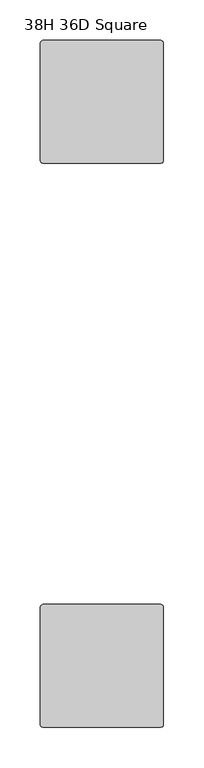
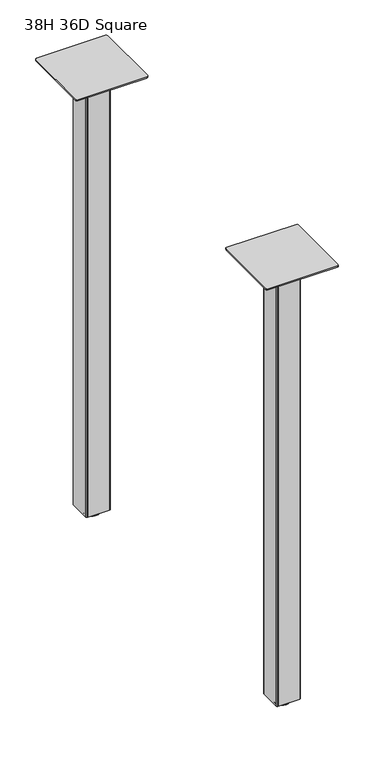
"""IFC4 building model written with IfcOpenShell, lengths in millimetres: furniture geometry, 38H 36D Square."""

from ifc_helpers import new_model, si_unit, frame, origin, place, context, project, spatial, polyline, circle_curve, outline, extrude, source, transform, mapped, element, save
from ifc_brep_helpers import plane_surface, cylinder_surface, revolved_surface, advanced_brep


def furniture_38h_36d_square_a64c27d5(model_context):
    return source(origin(), model_context, "Body", "SolidModel", [
        extrude(outline(polyline([(82.5508751, -130.809957), (82.5508751, -85.0899643), (83.2948249, -83.2939256), (85.0907849, -82.550003), (130.8109622, -82.550003), (132.6069222, -83.2939256), (133.350872, -85.0899643), (133.350872, -130.809957), (132.6069222, -132.606032), (130.8107429, -133.3500091), (85.0910042, -133.3500091), (83.2948249, -132.606032), (82.5508751, -130.809957)])), frame((0.0, 0.0, 10.1608624), z_axis=(0.0, 0.0, 1.0), x_axis=(1.0, 0.0, 0.0)), (0.0, 0.0, 1.0), 981.202),
        extrude(outline(polyline([(82.5508751, -829.3099865), (82.5508751, -783.5899938), (83.2948249, -781.7939552), (85.0907849, -781.0500326), (130.8109622, -781.0500326), (132.6069222, -781.7939552), (133.350872, -783.5899938), (133.350872, -829.3099865), (132.6069222, -831.1060615), (130.8107429, -831.8500386), (85.0910042, -831.8500386), (83.2948249, -831.1060615), (82.5508751, -829.3099865)])), frame((0.0, 0.0, 10.1608624), z_axis=(0.0, 0.0, 1.0), x_axis=(1.0, 0.0, 0.0)), (0.0, 0.0, 1.0), 981.202),
        extrude(outline(polyline([(31.7508849, -733.2980259), (32.6436243, -731.1427636), (34.7988843, -730.2500265), (181.102881, -730.2500265), (183.2581455, -731.1427636), (184.1508781, -733.2980259), (184.1508781, -879.6020271), (183.2581455, -881.7572917), (181.1029194, -882.6500083), (34.7988459, -882.6500083), (32.6436243, -881.7572917), (31.7508849, -879.6020271), (31.7508849, -733.2980259)])), frame((0.0, 0.0, 991.3628623), z_axis=(0.0, 0.0, 1.0), x_axis=(1.0, 0.0, 0.0)), (0.0, 0.0, 1.0), 3.048),
        advanced_brep(
        [(107.9508872, -806.4500356, 11.1759893), (119.1268856, -806.4500356, 11.1759893), (96.7748888, -806.4500356, 11.1759893), (95.2064298, -806.4500356, 0.0), (120.6953446, -806.4500356, 0.0), (107.9508872, -806.4500356, 0.0), (92.111765, -806.4500356, 0.4083326), (123.7900094, -806.4500356, 0.4083326), (90.7852289, -806.4500356, 2.0055462), (125.1165454, -806.4500356, 2.0055462), (90.7852289, -806.4500356, 4.3444296), (125.1165454, -806.4500356, 4.3444296), (92.111765, -806.4500356, 5.9416431), (123.7900094, -806.4500356, 5.9416431), (93.6849338, -806.4500356, 6.3499758), (122.2168405, -806.4500356, 6.3499758), (96.7748888, -806.4500356, 6.3499758), (119.1268856, -806.4500356, 6.3499758)],
        [
            (0, 1),
            (1, 2, circle_curve(frame((107.9508872, -806.4500356, 11.1759893), z_axis=(0.0, 0.0, 1.0), x_axis=(1.0, 0.0, 0.0)), 11.1759984)),
            (2, 0),
            (2, 1, circle_curve(frame((107.9508872, -806.4500356, 11.1759893), z_axis=(0.0, 0.0, 1.0), x_axis=(1.0, 0.0, 0.0)), 11.1759984)),
            (3, 4, circle_curve(frame((107.9508872, -806.4500356, 0.0), z_axis=(0.0, 0.0, -1.0), x_axis=(1.0, 0.0, 0.0)), 12.7444574)),
            (4, 5),
            (5, 3),
            (4, 3, circle_curve(frame((107.9508872, -806.4500356, 0.0), z_axis=(0.0, 0.0, -1.0), x_axis=(1.0, 0.0, 0.0)), 12.7444574)),
            (6, 7, circle_curve(frame((107.9508872, -806.4500356, 0.4083326), z_axis=(0.0, 0.0, -1.0), x_axis=(1.0, 0.0, 0.0)), 15.8391222)),
            (7, 4),
            (3, 6),
            (7, 6, circle_curve(frame((107.9508872, -806.4500356, 0.4083326), z_axis=(0.0, 0.0, -1.0), x_axis=(1.0, 0.0, 0.0)), 15.8391222)),
            (8, 9, circle_curve(frame((107.9508872, -806.4500356, 2.0055462), z_axis=(0.0, 0.0, -1.0), x_axis=(1.0, 0.0, 0.0)), 17.1656583)),
            (9, 7),
            (6, 8),
            (9, 8, circle_curve(frame((107.9508872, -806.4500356, 2.0055462), z_axis=(0.0, 0.0, -1.0), x_axis=(1.0, 0.0, 0.0)), 17.1656583)),
            (10, 11, circle_curve(frame((107.9508872, -806.4500356, 4.3444296), z_axis=(0.0, 0.0, -1.0), x_axis=(1.0, 0.0, 0.0)), 17.1656583)),
            (11, 9),
            (8, 10),
            (11, 10, circle_curve(frame((107.9508872, -806.4500356, 4.3444296), z_axis=(0.0, 0.0, -1.0), x_axis=(1.0, 0.0, 0.0)), 17.1656583)),
            (12, 13, circle_curve(frame((107.9508872, -806.4500356, 5.9416431), z_axis=(0.0, 0.0, -1.0), x_axis=(1.0, 0.0, 0.0)), 15.8391222)),
            (13, 11),
            (10, 12),
            (13, 12, circle_curve(frame((107.9508872, -806.4500356, 5.9416431), z_axis=(0.0, 0.0, -1.0), x_axis=(1.0, 0.0, 0.0)), 15.8391222)),
            (14, 15, circle_curve(frame((107.9508872, -806.4500356, 6.3499758), z_axis=(0.0, 0.0, -1.0), x_axis=(1.0, 0.0, 0.0)), 14.2659534)),
            (15, 13),
            (12, 14),
            (15, 14, circle_curve(frame((107.9508872, -806.4500356, 6.3499758), z_axis=(0.0, 0.0, -1.0), x_axis=(1.0, 0.0, 0.0)), 14.2659534)),
            (16, 17, circle_curve(frame((107.9508872, -806.4500356, 6.3499758), z_axis=(0.0, 0.0, -1.0), x_axis=(1.0, 0.0, 0.0)), 11.1759984)),
            (17, 15),
            (14, 16),
            (17, 16, circle_curve(frame((107.9508872, -806.4500356, 6.3499758), z_axis=(0.0, 0.0, -1.0), x_axis=(1.0, 0.0, 0.0)), 11.1759984)),
            (1, 17),
            (16, 2),
        ],
        [
            plane_surface(frame((107.9508872, -806.4500356, 11.1759893), z_axis=(0.0, 0.0, 1.0), x_axis=(1.0, 0.0, 0.0))),
            plane_surface(frame((107.9508872, -806.4500356, 0.0), z_axis=(0.0, 0.0, -1.0), x_axis=(1.0, 0.0, 0.0))),
            revolved_surface(polyline([(120.6953446, -806.4500356, 0.0), (123.7900094, -806.4500356, 0.4083326)]), (107.9508872, -806.4500356, 11.1759893), (0.0, 0.0, 1.0)),
            revolved_surface(polyline([(123.7900094, -806.4500356, 0.4083326), (125.1165454, -806.4500356, 2.0055462)]), (107.9508872, -806.4500356, 11.1759893), (0.0, 0.0, 1.0)),
            cylinder_surface(frame((107.9508872, -806.4500356, 11.1759893), z_axis=(0.0, 0.0, 1.0), x_axis=(1.0, 0.0, 0.0)), 17.1656583),
            revolved_surface(polyline([(125.1165454, -806.4500356, 4.3444296), (123.7900094, -806.4500356, 5.9416431)]), (107.9508872, -806.4500356, 11.1759893), (0.0, 0.0, 1.0)),
            revolved_surface(polyline([(123.7900094, -806.4500356, 5.9416431), (122.2168405, -806.4500356, 6.3499758)]), (107.9508872, -806.4500356, 11.1759893), (0.0, 0.0, 1.0)),
            plane_surface(frame((107.9508872, -806.4500356, 6.3499758), z_axis=(0.0, 0.0, 1.0), x_axis=(1.0, 0.0, 0.0))),
            cylinder_surface(frame((107.9508872, -806.4500356, 11.1759893), z_axis=(0.0, 0.0, 1.0), x_axis=(1.0, 0.0, 0.0)), 11.1759984),
        ],
        [
            (0, [[1, 2, 3]]),
            (0, [[-3, 4, -1]]),
            (1, [[5, 6, 7]]),
            (1, [[8, -7, -6]]),
            (2, [[9, 10, -5, 11]]),
            (2, [[12, -11, -8, -10]]),
            (3, [[13, 14, -9, 15]]),
            (3, [[16, -15, -12, -14]]),
            (4, [[17, 18, -13, 19]]),
            (4, [[20, -19, -16, -18]]),
            (5, [[21, 22, -17, 23]]),
            (5, [[24, -23, -20, -22]]),
            (6, [[25, 26, -21, 27]]),
            (6, [[28, -27, -24, -26]]),
            (7, [[29, 30, -25, 31]]),
            (7, [[32, -31, -28, -30]]),
            (8, [[-2, 33, -29, 34]]),
            (8, [[-4, -34, -32, -33]]),
        ],
    ),
        advanced_brep(
        [(107.9508872, -107.9500061, 11.1759893), (119.1268856, -107.9500061, 11.1759893), (96.7748888, -107.9500061, 11.1759893), (95.2064298, -107.9500061, 0.0), (120.6953446, -107.9500061, 0.0), (107.9508872, -107.9500061, 0.0), (92.111765, -107.9500061, 0.4083326), (123.7900094, -107.9500061, 0.4083326), (90.7852289, -107.9500061, 2.0055462), (125.1165454, -107.9500061, 2.0055462), (90.7852289, -107.9500061, 4.3444296), (125.1165454, -107.9500061, 4.3444296), (92.111765, -107.9500061, 5.9416431), (123.7900094, -107.9500061, 5.9416431), (93.6849338, -107.9500061, 6.3499758), (122.2168405, -107.9500061, 6.3499758), (96.7748888, -107.9500061, 6.3499758), (119.1268856, -107.9500061, 6.3499758)],
        [
            (0, 1),
            (1, 2, circle_curve(frame((107.9508872, -107.9500061, 11.1759893), z_axis=(0.0, 0.0, 1.0), x_axis=(1.0, 0.0, 0.0)), 11.1759984)),
            (2, 0),
            (2, 1, circle_curve(frame((107.9508872, -107.9500061, 11.1759893), z_axis=(0.0, 0.0, 1.0), x_axis=(1.0, 0.0, 0.0)), 11.1759984)),
            (3, 4, circle_curve(frame((107.9508872, -107.9500061, 0.0), z_axis=(0.0, 0.0, -1.0), x_axis=(1.0, 0.0, 0.0)), 12.7444574)),
            (4, 5),
            (5, 3),
            (4, 3, circle_curve(frame((107.9508872, -107.9500061, 0.0), z_axis=(0.0, 0.0, -1.0), x_axis=(1.0, 0.0, 0.0)), 12.7444574)),
            (6, 7, circle_curve(frame((107.9508872, -107.9500061, 0.4083326), z_axis=(0.0, 0.0, -1.0), x_axis=(1.0, 0.0, 0.0)), 15.8391222)),
            (7, 4),
            (3, 6),
            (7, 6, circle_curve(frame((107.9508872, -107.9500061, 0.4083326), z_axis=(0.0, 0.0, -1.0), x_axis=(1.0, 0.0, 0.0)), 15.8391222)),
            (8, 9, circle_curve(frame((107.9508872, -107.9500061, 2.0055462), z_axis=(0.0, 0.0, -1.0), x_axis=(1.0, 0.0, 0.0)), 17.1656583)),
            (9, 7),
            (6, 8),
            (9, 8, circle_curve(frame((107.9508872, -107.9500061, 2.0055462), z_axis=(0.0, 0.0, -1.0), x_axis=(1.0, 0.0, 0.0)), 17.1656583)),
            (10, 11, circle_curve(frame((107.9508872, -107.9500061, 4.3444296), z_axis=(0.0, 0.0, -1.0), x_axis=(1.0, 0.0, 0.0)), 17.1656583)),
            (11, 9),
            (8, 10),
            (11, 10, circle_curve(frame((107.9508872, -107.9500061, 4.3444296), z_axis=(0.0, 0.0, -1.0), x_axis=(1.0, 0.0, 0.0)), 17.1656583)),
            (12, 13, circle_curve(frame((107.9508872, -107.9500061, 5.9416431), z_axis=(0.0, 0.0, -1.0), x_axis=(1.0, 0.0, 0.0)), 15.8391222)),
            (13, 11),
            (10, 12),
            (13, 12, circle_curve(frame((107.9508872, -107.9500061, 5.9416431), z_axis=(0.0, 0.0, -1.0), x_axis=(1.0, 0.0, 0.0)), 15.8391222)),
            (14, 15, circle_curve(frame((107.9508872, -107.9500061, 6.3499758), z_axis=(0.0, 0.0, -1.0), x_axis=(1.0, 0.0, 0.0)), 14.2659534)),
            (15, 13),
            (12, 14),
            (15, 14, circle_curve(frame((107.9508872, -107.9500061, 6.3499758), z_axis=(0.0, 0.0, -1.0), x_axis=(1.0, 0.0, 0.0)), 14.2659534)),
            (16, 17, circle_curve(frame((107.9508872, -107.9500061, 6.3499758), z_axis=(0.0, 0.0, -1.0), x_axis=(1.0, 0.0, 0.0)), 11.1759984)),
            (17, 15),
            (14, 16),
            (17, 16, circle_curve(frame((107.9508872, -107.9500061, 6.3499758), z_axis=(0.0, 0.0, -1.0), x_axis=(1.0, 0.0, 0.0)), 11.1759984)),
            (1, 17),
            (16, 2),
        ],
        [
            plane_surface(frame((107.9508872, -107.9500061, 11.1759893), z_axis=(0.0, 0.0, 1.0), x_axis=(1.0, 0.0, 0.0))),
            plane_surface(frame((107.9508872, -107.9500061, 0.0), z_axis=(0.0, 0.0, -1.0), x_axis=(1.0, 0.0, 0.0))),
            revolved_surface(polyline([(120.6953446, -107.9500061, 0.0), (123.7900094, -107.9500061, 0.4083326)]), (107.9508872, -107.9500061, 11.1759893), (0.0, 0.0, 1.0)),
            revolved_surface(polyline([(123.7900094, -107.9500061, 0.4083326), (125.1165454, -107.9500061, 2.0055462)]), (107.9508872, -107.9500061, 11.1759893), (0.0, 0.0, 1.0)),
            cylinder_surface(frame((107.9508872, -107.9500061, 11.1759893), z_axis=(0.0, 0.0, 1.0), x_axis=(1.0, 0.0, 0.0)), 17.1656583),
            revolved_surface(polyline([(125.1165454, -107.9500061, 4.3444296), (123.7900094, -107.9500061, 5.9416431)]), (107.9508872, -107.9500061, 11.1759893), (0.0, 0.0, 1.0)),
            revolved_surface(polyline([(123.7900094, -107.9500061, 5.9416431), (122.2168405, -107.9500061, 6.3499758)]), (107.9508872, -107.9500061, 11.1759893), (0.0, 0.0, 1.0)),
            plane_surface(frame((107.9508872, -107.9500061, 6.3499758), z_axis=(0.0, 0.0, 1.0), x_axis=(1.0, 0.0, 0.0))),
            cylinder_surface(frame((107.9508872, -107.9500061, 11.1759893), z_axis=(0.0, 0.0, 1.0), x_axis=(1.0, 0.0, 0.0)), 11.1759984),
        ],
        [
            (0, [[1, 2, 3]]),
            (0, [[-3, 4, -1]]),
            (1, [[5, 6, 7]]),
            (1, [[8, -7, -6]]),
            (2, [[9, 10, -5, 11]]),
            (2, [[12, -11, -8, -10]]),
            (3, [[13, 14, -9, 15]]),
            (3, [[16, -15, -12, -14]]),
            (4, [[17, 18, -13, 19]]),
            (4, [[20, -19, -16, -18]]),
            (5, [[21, 22, -17, 23]]),
            (5, [[24, -23, -20, -22]]),
            (6, [[25, 26, -21, 27]]),
            (6, [[28, -27, -24, -26]]),
            (7, [[29, 30, -25, 31]]),
            (7, [[32, -31, -28, -30]]),
            (8, [[-2, 33, -29, 34]]),
            (8, [[-4, -34, -32, -33]]),
        ],
    ),
        extrude(outline(polyline([(31.7508849, -34.7980077), (32.6436243, -32.6427454), (34.7988843, -31.7500083), (181.102881, -31.7500083), (183.2581455, -32.6427454), (184.1508781, -34.7980077), (184.1508781, -181.102009), (183.2581455, -183.2572735), (181.102881, -184.1500061), (34.7988843, -184.1500061), (32.6436243, -183.2572735), (31.7508849, -181.102009), (31.7508849, -34.7980077)])), frame((0.0, 0.0, 991.3628623), z_axis=(0.0, 0.0, 1.0), x_axis=(1.0, 0.0, 0.0)), (0.0, 0.0, 1.0), 3.048),
    ])


if __name__ == "__main__":
    model = new_model("IFC4")
    model_context = context("Model", 3, world=origin())
    ifc_project = project(units=[si_unit("LENGTHUNIT", "METRE", prefix="MILLI")], contexts=[model_context])
    site = spatial("IfcSite", under=ifc_project)
    building = spatial("IfcBuilding", under=site)
    placement = place(None, origin())
    furniture_38h_36d_square_shape = furniture_38h_36d_square_a64c27d5(model_context)
    element("IfcFurniture", 1, ObjectType="38H 36D Square", at=placement, inside=building, context=model_context, shape_type="MappedRepresentation", body=[
        mapped(furniture_38h_36d_square_shape, transform((0.0, 0.0, 0.0), x_axis=(1.0, 0.0, 0.0), y_axis=(0.0, 1.0, 0.0), z_axis=(0.0, 0.0, 1.0))),
    ])
    save(model, "model.ifc")
